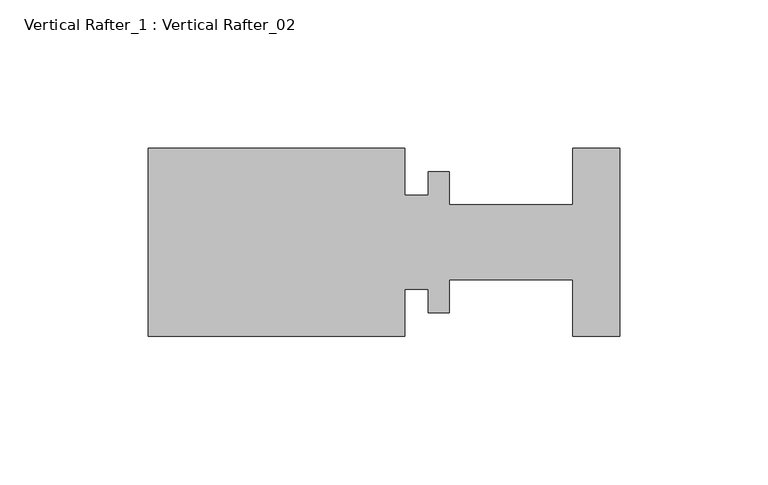
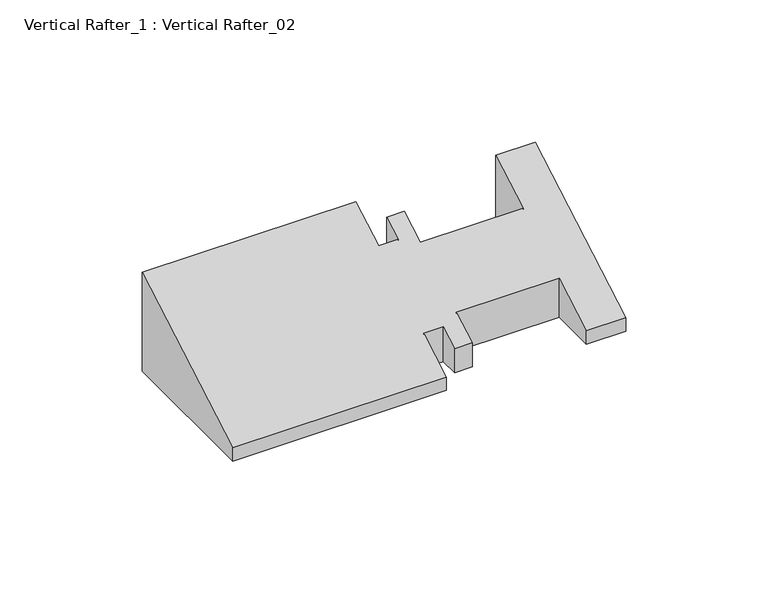
"""IFC4 building model written with IfcOpenShell, lengths in millimetres: proxy geometry, Vertical Rafter_1 : Vertical Rafter_02."""

from ifc_helpers import new_model, si_unit, origin, place, context, project, spatial, faceted_brep, source, transform, mapped, element, save


def vertical_rafter_1_vertical_rafter_02_fde613ce(model_context):
    return source(origin(), model_context, "Body", "Brep", [
        faceted_brep([(12080.5221425, -21063.3880511, 658.2280117), (12064.6506309, -21063.3880511, 658.2280117), (12064.6506309, -21044.3380511, 658.2280117), (12022.9911425, -21044.3380511, 658.2280117), (12022.9911425, -21055.4632511, 658.2280117), (12015.8283425, -21055.4632511, 658.2280117), (12015.8283425, -21047.5130511, 658.2280117), (12007.9289425, -21047.5130511, 658.2280117), (12007.9289425, -21063.3880511, 658.2280117), (11921.3911425, -21063.3880511, 658.2280117), (11921.3911425, -20999.8880511, 658.2280117), (12007.9289425, -20999.8880511, 658.2280117), (12007.9289425, -21015.7630511, 658.2280117), (12015.8283425, -21015.7630511, 658.2280117), (12015.8283425, -21007.8128511, 658.2280117), (12022.9911425, -21007.8128511, 658.2280117), (12022.9911425, -21018.9380511, 658.2280117), (12064.6506309, -21018.9380511, 658.2280117), (12064.6506309, -20999.8880511, 658.2280117), (12080.5221425, -20999.8880511, 658.2280117), (12080.5221425, -21063.3880511, 663.9103629), (12064.6506309, -21063.3880511, 663.9103629), (12064.6506309, -21044.3380511, 674.9088855), (12022.9911425, -21044.3380511, 674.9088855), (12022.9911425, -21055.4632511, 668.4857483), (12015.8283425, -21055.4632511, 668.4857483), (12015.8283425, -21047.5130511, 673.0757984), (12007.9289425, -21047.5130511, 673.0757984), (12007.9289425, -21063.3880511, 663.9103629), (11921.3911425, -21063.3880511, 663.9103629), (11921.3911425, -20999.8880511, 700.572105), (12007.9289425, -20999.8880511, 700.572105), (12007.9289425, -21015.7630511, 691.4066695), (12015.8283425, -21015.7630511, 691.4066695), (12015.8283425, -21007.8128511, 695.9967196), (12022.9911425, -21007.8128511, 695.9967196), (12022.9911425, -21018.9380511, 689.5735824), (12064.6506309, -21018.9380511, 689.5735824), (12064.6506309, -20999.8880511, 700.572105), (12080.5221425, -20999.8880511, 700.572105)], [[[0, 1, 2, 3, 4, 5, 6, 7, 8, 9, 10, 11, 12, 13, 14, 15, 16, 17, 18, 19]], [[1, 0, 20, 21]], [[2, 1, 21, 22]], [[3, 2, 22, 23]], [[4, 3, 23, 24]], [[5, 4, 24, 25]], [[6, 5, 25, 26]], [[7, 6, 26, 27]], [[8, 7, 27, 28]], [[9, 8, 28, 29]], [[10, 9, 29, 30]], [[11, 10, 30, 31]], [[12, 11, 31, 32]], [[13, 12, 32, 33]], [[14, 13, 33, 34]], [[15, 14, 34, 35]], [[16, 15, 35, 36]], [[17, 16, 36, 37]], [[18, 17, 37, 38]], [[19, 18, 38, 39]], [[0, 19, 39, 20]], [[21, 20, 39, 38, 37, 36, 35, 34, 33, 32, 31, 30, 29, 28, 27, 26, 25, 24, 23, 22]]]),
    ])


if __name__ == "__main__":
    model = new_model("IFC4")
    model_context = context("Model", 3, world=origin())
    ifc_project = project(units=[si_unit("LENGTHUNIT", "METRE", prefix="MILLI")], contexts=[model_context])
    site = spatial("IfcSite", under=ifc_project)
    building = spatial("IfcBuilding", under=site)
    placement = place(None, origin())
    vertical_rafter_1_vertical_rafter_02_shape = vertical_rafter_1_vertical_rafter_02_fde613ce(model_context)
    element("IfcBuildingElementProxy", 1, Name="Vertical Rafter_1 : Vertical Rafter_02", ObjectType="Vertical Rafter_1 : Vertical Rafter_02", at=placement, inside=building, context=model_context, shape_type="MappedRepresentation", body=[
        mapped(vertical_rafter_1_vertical_rafter_02_shape, transform((0.0, 0.0, 0.0), x_axis=(1.0, 0.0, 0.0), y_axis=(0.0, 1.0, 0.0), z_axis=(0.0, 0.0, 1.0))),
    ])
    save(model, "model.ifc")
